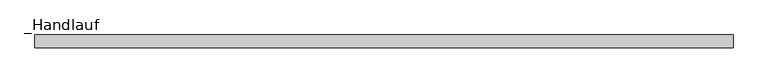
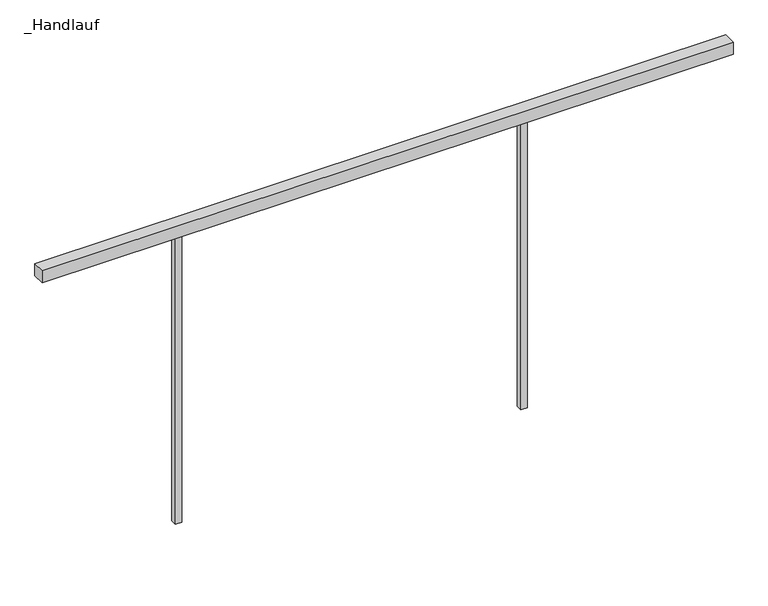
"""IFC4 building model written with IfcOpenShell, lengths in millimetres: railing geometry, _Handlauf."""

from ifc_helpers import new_model, si_unit, frame, origin, place, context, project, spatial, polyline, outline, extrude, source, transform, mapped, element, save


def handlauf_6dccb3e6(model_context):
    return source(origin(), model_context, "Body", "SweptSolid", [
        extrude(outline(polyline([(4180.0, 2300.0), (4180.0, 2260.0), (2000.0, 2260.0), (2000.0, 2300.0), (4180.0, 2300.0)])), frame((0.0, 0.0, 4460.0), z_axis=(0.0, 0.0, 1.0), x_axis=(1.0, 0.0, 0.0)), (0.0, 0.0, 1.0), 40.0),
        extrude(outline(polyline([(2446.0, 2290.0), (2446.0, 2270.0), (2426.0, 2270.0), (2426.0, 2290.0), (2446.0, 2290.0)])), frame((0.0, 0.0, 3500.0), z_axis=(0.0, 0.0, 1.0), x_axis=(1.0, 0.0, 0.0)), (0.0, 0.0, 1.0), 960.0),
        extrude(outline(polyline([(3536.0, 2290.0), (3536.0, 2270.0), (3516.0, 2270.0), (3516.0, 2290.0), (3536.0, 2290.0)])), frame((0.0, 0.0, 3500.0), z_axis=(0.0, 0.0, 1.0), x_axis=(1.0, 0.0, 0.0)), (0.0, 0.0, 1.0), 960.0),
    ])


if __name__ == "__main__":
    model = new_model("IFC4")
    model_context = context("Model", 3, world=origin())
    ifc_project = project(units=[si_unit("LENGTHUNIT", "METRE", prefix="MILLI")], contexts=[model_context])
    site = spatial("IfcSite", under=ifc_project)
    building = spatial("IfcBuilding", under=site)
    placement = place(None, origin())
    handlauf_shape = handlauf_6dccb3e6(model_context)
    element("IfcRailing", 1, ObjectType="_Handlauf", at=placement, inside=building, context=model_context, shape_type="MappedRepresentation", body=[
        mapped(handlauf_shape, transform((0.0, 0.0, 0.0), x_axis=(1.0, 0.0, 0.0), y_axis=(0.0, 1.0, 0.0), z_axis=(0.0, 0.0, 1.0))),
    ])
    save(model, "model.ifc")
